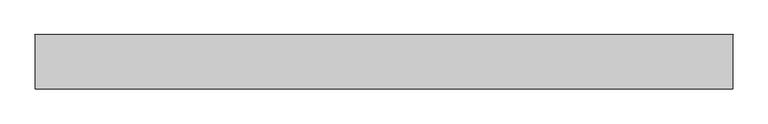
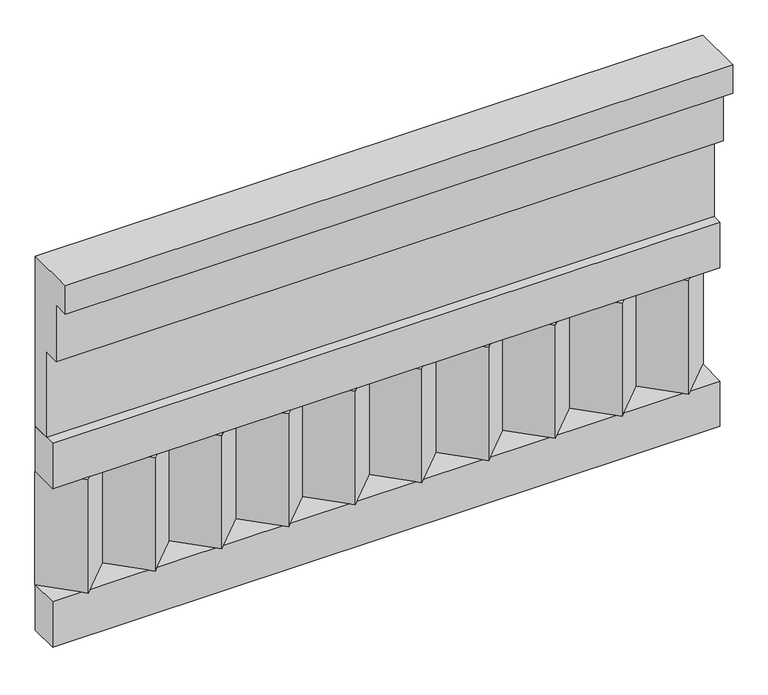
"""IFC4 building model written with IfcOpenShell, lengths in millimetres: railing geometry."""

from ifc_helpers import new_model, si_unit, frame, origin, place, context, project, spatial, polyline, outline, extrude, source, transform, mapped, element, save


def railing_731d708b(model_context):
    return source(origin(), model_context, "Body", "SweptSolid", [
        extrude(outline(polyline([(-16816.8920513, 21800.0), (-16816.8920513, 21350.0), (-16866.8920513, 21350.0), (-16866.8920513, 21575.0), (-16906.8920513, 21575.0), (-16906.8920513, 21725.0), (-16946.8920513, 21725.0), (-16946.8920513, 21800.0), (-16816.8920513, 21800.0)])), frame((26190.0112841, 0.0, 0.0), z_axis=(1.0, 0.0, 0.0), x_axis=(0.0, 1.0, 0.0)), (0.0, 0.0, 1.0), 1670.0),
        extrude(outline(polyline([(26190.0112841, -16891.8920513), (26190.0112841, -16816.8920513), (27860.0112841, -16816.8920513), (27860.0112841, -16891.8920513), (26190.0112841, -16891.8920513)])), frame((0.0, 0.0, 21230.0), z_axis=(0.0, 0.0, 1.0), x_axis=(1.0, 0.0, 0.0)), (0.0, 0.0, 1.0), 120.0),
        extrude(outline(polyline([(26190.0112841, -16891.8920513), (26190.0112841, -16816.8920513), (27860.0112841, -16816.8920513), (27860.0112841, -16891.8920513), (26190.0112841, -16891.8920513)])), frame((0.0, 0.0, 20810.0), z_axis=(0.0, 0.0, 1.0), x_axis=(1.0, 0.0, 0.0)), (0.0, 0.0, 1.0), 120.0),
        extrude(outline(polyline([(27776.5112841, -16901.7448651), (27691.6584704, -16816.8920513), (27861.3640978, -16816.8920513), (27776.5112841, -16901.7448651)])), frame((0.0, 0.0, 20930.0), z_axis=(0.0, 0.0, 1.0), x_axis=(1.0, 0.0, 0.0)), (0.0, 0.0, 1.0), 300.0),
        extrude(outline(polyline([(27609.5112841, -16901.7448651), (27524.6584704, -16816.8920513), (27694.3640978, -16816.8920513), (27609.5112841, -16901.7448651)])), frame((0.0, 0.0, 20930.0), z_axis=(0.0, 0.0, 1.0), x_axis=(1.0, 0.0, 0.0)), (0.0, 0.0, 1.0), 300.0),
        extrude(outline(polyline([(27442.5112841, -16901.7448651), (27357.6584704, -16816.8920513), (27527.3640978, -16816.8920513), (27442.5112841, -16901.7448651)])), frame((0.0, 0.0, 20930.0), z_axis=(0.0, 0.0, 1.0), x_axis=(1.0, 0.0, 0.0)), (0.0, 0.0, 1.0), 300.0),
        extrude(outline(polyline([(27275.5112841, -16901.7448651), (27190.6584704, -16816.8920513), (27360.3640978, -16816.8920513), (27275.5112841, -16901.7448651)])), frame((0.0, 0.0, 20930.0), z_axis=(0.0, 0.0, 1.0), x_axis=(1.0, 0.0, 0.0)), (0.0, 0.0, 1.0), 300.0),
        extrude(outline(polyline([(27108.5112841, -16901.7448651), (27023.6584704, -16816.8920513), (27193.3640978, -16816.8920513), (27108.5112841, -16901.7448651)])), frame((0.0, 0.0, 20930.0), z_axis=(0.0, 0.0, 1.0), x_axis=(1.0, 0.0, 0.0)), (0.0, 0.0, 1.0), 300.0),
        extrude(outline(polyline([(26941.5112841, -16901.7448651), (26856.6584704, -16816.8920513), (27026.3640978, -16816.8920513), (26941.5112841, -16901.7448651)])), frame((0.0, 0.0, 20930.0), z_axis=(0.0, 0.0, 1.0), x_axis=(1.0, 0.0, 0.0)), (0.0, 0.0, 1.0), 300.0),
        extrude(outline(polyline([(26774.5112841, -16901.7448651), (26689.6584704, -16816.8920513), (26859.3640978, -16816.8920513), (26774.5112841, -16901.7448651)])), frame((0.0, 0.0, 20930.0), z_axis=(0.0, 0.0, 1.0), x_axis=(1.0, 0.0, 0.0)), (0.0, 0.0, 1.0), 300.0),
        extrude(outline(polyline([(26607.5112841, -16901.7448651), (26522.6584704, -16816.8920513), (26692.3640978, -16816.8920513), (26607.5112841, -16901.7448651)])), frame((0.0, 0.0, 20930.0), z_axis=(0.0, 0.0, 1.0), x_axis=(1.0, 0.0, 0.0)), (0.0, 0.0, 1.0), 300.0),
        extrude(outline(polyline([(26440.5112841, -16901.7448651), (26355.6584704, -16816.8920513), (26525.3640978, -16816.8920513), (26440.5112841, -16901.7448651)])), frame((0.0, 0.0, 20930.0), z_axis=(0.0, 0.0, 1.0), x_axis=(1.0, 0.0, 0.0)), (0.0, 0.0, 1.0), 300.0),
        extrude(outline(polyline([(26273.5112841, -16901.7448651), (26188.6584704, -16816.8920513), (26358.3640978, -16816.8920513), (26273.5112841, -16901.7448651)])), frame((0.0, 0.0, 20930.0), z_axis=(0.0, 0.0, 1.0), x_axis=(1.0, 0.0, 0.0)), (0.0, 0.0, 1.0), 300.0),
    ])


if __name__ == "__main__":
    model = new_model("IFC4")
    model_context = context("Model", 3, world=origin())
    ifc_project = project(units=[si_unit("LENGTHUNIT", "METRE", prefix="MILLI")], contexts=[model_context])
    site = spatial("IfcSite", under=ifc_project)
    building = spatial("IfcBuilding", under=site)
    placement = place(None, origin())
    railing_shape = railing_731d708b(model_context)
    element("IfcRailing", 1, at=placement, inside=building, context=model_context, shape_type="MappedRepresentation", body=[
        mapped(railing_shape, transform((0.0, 0.0, 0.0), x_axis=(1.0, 0.0, 0.0), y_axis=(0.0, 1.0, 0.0), z_axis=(0.0, 0.0, 1.0))),
    ])
    save(model, "model.ifc")
